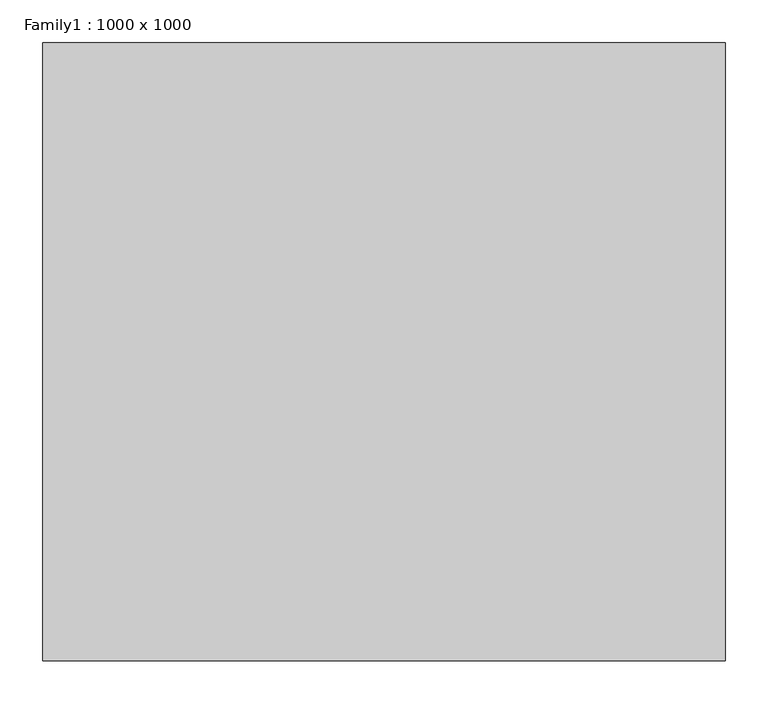
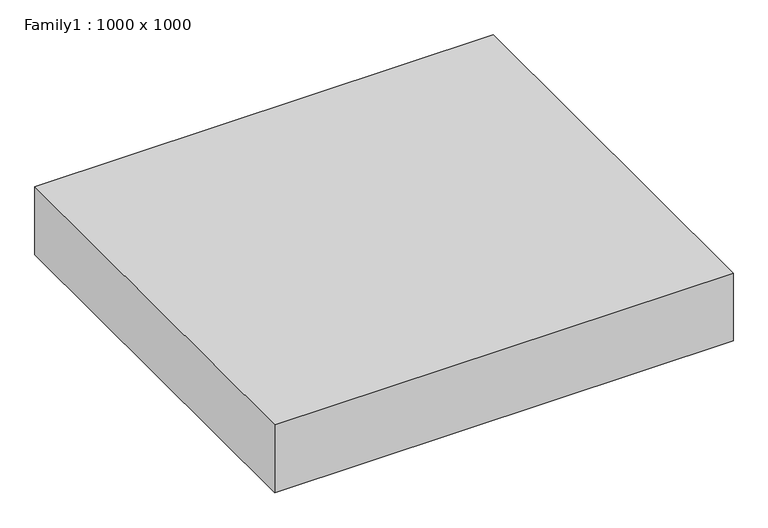
"""IFC4 building model written with IfcOpenShell, lengths in millimetres: proxy geometry, Family1 : 1000 x 1000."""

import ifcopenshell
import ifcopenshell.guid

model = None  # the IFC model being written
_history = None  # IfcOwnerHistory: only IFC2X3 demands one
_inside = {}  # id of a spatial element -> (the spatial element, [elements in it])
_under = {}  # id of a project, library or spatial element -> (it, [spatial elements below it])
_declared = {}  # id of a project -> (the project, [libraries it declares])
_typed = {}  # id of a type object -> (the type object, [elements of that type])
_made_of = {}  # id of a material, layer set ... -> (it, [elements and type objects made of it])


def new_model(schema):
    """Start an empty IFC model of exactly this schema.

    Asked for "IFC4X3", IfcOpenShell would pick the latest addendum, in which some entities
    have other attributes; the version numbers below select the first issue.
    IFC2X3 requires an IfcOwnerHistory on every rooted entity: one is made here for all.
    """
    global model, _history
    if schema == "IFC4X3":
        model = ifcopenshell.file(schema_version=(4, 3, 0, 0))
    else:
        model = ifcopenshell.file(schema=schema)
    _inside.clear()
    _under.clear()
    _declared.clear()
    _typed.clear()
    _made_of.clear()
    _history = None
    if model.schema == "IFC2X3":
        org = make("IfcOrganization", Name="unknown")
        user = make(
            "IfcPersonAndOrganization",
            ThePerson=make("IfcPerson", FamilyName="unknown"),
            TheOrganization=org,
        )
        app = make(
            "IfcApplication",
            ApplicationDeveloper=org,
            Version="unknown",
            ApplicationFullName="unknown",
            ApplicationIdentifier="unknown",
        )
        _history = make(
            "IfcOwnerHistory",
            OwningUser=user,
            OwningApplication=app,
            ChangeAction="ADDED",
            CreationDate=0,
        )
    return model


def make(cls, **values):
    """One entity of the class cls with the attributes given. An attribute that is None is left unset."""
    return model.create_entity(
        cls, **{name: value for name, value in values.items() if value is not None}
    )


def rooted(cls, **values):
    """An entity with a GlobalId (a new one), such as an element, a storey or a relation."""
    return make(cls, GlobalId=ifcopenshell.guid.new(), OwnerHistory=_history, **values)


def si_unit(unit_type, name, prefix=None):
    """IfcSIUnit, for example si_unit("LENGTHUNIT", "METRE", prefix="MILLI")."""
    return make("IfcSIUnit", UnitType=unit_type, Prefix=prefix, Name=name)


def assignment(units):
    """IfcUnitAssignment: the units of a project."""
    return None if units is None else make("IfcUnitAssignment", Units=units)


def point(xyz):
    """IfcCartesianPoint."""
    return None if xyz is None else make("IfcCartesianPoint", Coordinates=xyz)


def direction(xyz):
    """IfcDirection."""
    return None if xyz is None else make("IfcDirection", DirectionRatios=xyz)


def frame(location, z_axis=None, x_axis=None):
    """IfcAxis2Placement3D, a coordinate frame: its origin and axes. An axis left out is left unset."""
    return make(
        "IfcAxis2Placement3D",
        Location=point(location),
        Axis=direction(z_axis),
        RefDirection=direction(x_axis),
    )


def origin():
    """The frame at (0, 0, 0) with its axes left unset."""
    return frame((0.0, 0.0, 0.0))


def place(relative_to, where):
    """IfcLocalPlacement: puts the frame where relative to a parent placement (None: the world)."""
    return make(
        "IfcLocalPlacement", PlacementRelTo=relative_to, RelativePlacement=where
    )


def context(
    kind, dimensions, precision=None, world=None, true_north=None, identifier=None
):
    """IfcGeometricRepresentationContext, for example the 3D "Model" context."""
    return make(
        "IfcGeometricRepresentationContext",
        ContextIdentifier=identifier,
        ContextType=kind,
        CoordinateSpaceDimension=dimensions,
        Precision=precision,
        WorldCoordinateSystem=world,
        TrueNorth=true_north,
    )


def project(units=None, contexts=None):
    """IfcProject with its units and contexts."""
    return rooted(
        "IfcProject",
        Name="project",
        RepresentationContexts=contexts,
        UnitsInContext=assignment(units),
    )


def spatial(cls, under=None, at=None, **own):
    """A site, building, storey or space (cls), placed at a placement, below another one or the project."""
    s = rooted(cls, ObjectPlacement=at, **own)
    if under is not None:
        _under.setdefault(under.id(), (under, []))[1].append(s)
    return s


def polyline(points):
    """IfcPolyline through the points."""
    return make("IfcPolyline", Points=[point(p) for p in points])


def outline(outer, holes=None, kind="AREA"):
    """IfcArbitraryClosedProfileDef: a profile drawn as a closed curve; with holes, ...WithVoids."""
    if holes is None:
        return make("IfcArbitraryClosedProfileDef", ProfileType=kind, OuterCurve=outer)
    return make(
        "IfcArbitraryProfileDefWithVoids",
        ProfileType=kind,
        OuterCurve=outer,
        InnerCurves=holes,
    )


def extrude(swept, where, along, depth):
    """IfcExtrudedAreaSolid: the profile swept, set in the frame where, extruded along a direction by depth."""
    return make(
        "IfcExtrudedAreaSolid",
        SweptArea=swept,
        Position=where,
        ExtrudedDirection=direction(along),
        Depth=depth,
    )


def shape(context_of_items, identifier, shape_type, items):
    """IfcShapeRepresentation: the items that make up one representation, for example the "Body"."""
    return make(
        "IfcShapeRepresentation",
        ContextOfItems=context_of_items,
        RepresentationIdentifier=identifier,
        RepresentationType=shape_type,
        Items=items,
    )


def source(mapping_origin, context_of_items, identifier, shape_type, items):
    """IfcRepresentationMap: a shape defined once, which mapped items show again and again."""
    return make(
        "IfcRepresentationMap",
        MappingOrigin=mapping_origin,
        MappedRepresentation=shape(context_of_items, identifier, shape_type, items),
    )


def transform(
    local_origin,
    x_axis=None,
    y_axis=None,
    z_axis=None,
    scale=None,
    scale2=None,
    scale3=None,
    uniform=True,
):
    """IfcCartesianTransformationOperator3D, or its non-uniform kind. x_axis, y_axis, z_axis: its Axis1, 2, 3."""
    if uniform:
        return make(
            "IfcCartesianTransformationOperator3D",
            Axis1=direction(x_axis),
            Axis2=direction(y_axis),
            LocalOrigin=point(local_origin),
            Scale=scale,
            Axis3=direction(z_axis),
        )
    return make(
        "IfcCartesianTransformationOperator3DnonUniform",
        Axis1=direction(x_axis),
        Axis2=direction(y_axis),
        LocalOrigin=point(local_origin),
        Scale=scale,
        Axis3=direction(z_axis),
        Scale2=scale2,
        Scale3=scale3,
    )


def mapped(mapping_source, mapping_target):
    """IfcMappedItem: shows the shape of a source again, moved by a transform."""
    return make(
        "IfcMappedItem", MappingSource=mapping_source, MappingTarget=mapping_target
    )


def made_of(thing, what):
    """Note that an element or type object is made of a material, layer set ...; save() writes the relation."""
    if what is not None:
        _made_of.setdefault(what.id(), (what, []))[1].append(thing)
    return thing


def element(
    cls,
    number,
    at=None,
    inside=None,
    cuts=None,
    type_object=None,
    material=None,
    context=None,
    identifier="Body",
    shape_type=None,
    held_by="IfcProductDefinitionShape",
    body=None,
    shapes=None,
    **own,
):
    """One element of the class cls, such as IfcWall. Its Tag is "e" and its number.

    at: its placement. inside: the storey or other place that contains it. cuts: it is an
    opening in that element (IfcRelVoidsElement). A single representation is given by context,
    identifier, shape_type and body (its items); several are given by shapes. held_by: the class
    of the entity that holds the representations. save() writes the other relations.
    """
    e = rooted(cls, Tag="e%d" % number, ObjectPlacement=at, **own)
    if body is not None:
        shapes = [shape(context, identifier, shape_type, body)]
    if shapes is not None:
        e.Representation = make(held_by, Representations=shapes)
    if inside is not None:
        _inside.setdefault(inside.id(), (inside, []))[1].append(e)
    if cuts is not None:
        rooted(
            "IfcRelVoidsElement", RelatingBuildingElement=cuts, RelatedOpeningElement=e
        )
    if type_object is not None:
        _typed.setdefault(type_object.id(), (type_object, []))[1].append(e)
    return made_of(e, material)


def aggregate(whole, parts):
    """IfcRelAggregates: a whole, such as a stair, and the parts it consists of."""
    return rooted("IfcRelAggregates", RelatingObject=whole, RelatedObjects=parts)


def save(model, path):
    """Write the relations noted so far, then the file.

    IfcRelAggregates (storeys below a building ...), IfcRelContainedInSpatialStructure (elements
    in a storey), IfcRelDefinesByType, IfcRelAssociatesMaterial and IfcRelDeclares: one each for
    every whole, place, type object, material and project.
    """
    for whole, parts in _under.values():
        aggregate(whole, parts)
    for where, things in _inside.values():
        rooted(
            "IfcRelContainedInSpatialStructure",
            RelatedElements=things,
            RelatingStructure=where,
        )
    for kind, things in _typed.values():
        rooted("IfcRelDefinesByType", RelatedObjects=things, RelatingType=kind)
    for what, things in _made_of.values():
        rooted("IfcRelAssociatesMaterial", RelatedObjects=things, RelatingMaterial=what)
    for by, libraries in _declared.values():
        rooted("IfcRelDeclares", RelatingContext=by, RelatedDefinitions=libraries)
    model.write(path)


def family1_1000_x_1000_48a97952(model_context):
    return source(origin(), model_context, "Body", "SweptSolid", [
        extrude(outline(polyline([(399.6442892, 361.9184821), (399.6442892, -361.9184821), (-399.6442892, -361.9184821), (-399.6442892, 361.9184821), (399.6442892, 361.9184821)])), frame((0.0, 0.0, -25.0), z_axis=(0.0, 0.0, 1.0), x_axis=(1.0, 0.0, 0.0)), (0.0, 0.0, 1.0), 125.0),
    ])


if __name__ == "__main__":
    model = new_model("IFC4")
    model_context = context("Model", 3, world=origin())
    ifc_project = project(units=[si_unit("LENGTHUNIT", "METRE", prefix="MILLI")], contexts=[model_context])
    site = spatial("IfcSite", under=ifc_project)
    building = spatial("IfcBuilding", under=site)
    placement = place(None, origin())
    family1_1000_x_1000_shape = family1_1000_x_1000_48a97952(model_context)
    element("IfcBuildingElementProxy", 1, Name="Family1 : 1000 x 1000", ObjectType="Family1 : 1000 x 1000", at=placement, inside=building, context=model_context, shape_type="MappedRepresentation", body=[
        mapped(family1_1000_x_1000_shape, transform((0.0, 0.0, 0.0), x_axis=(1.0, 0.0, 0.0), y_axis=(0.0, 1.0, 0.0), z_axis=(0.0, 0.0, 1.0))),
    ])
    save(model, "model.ifc")
